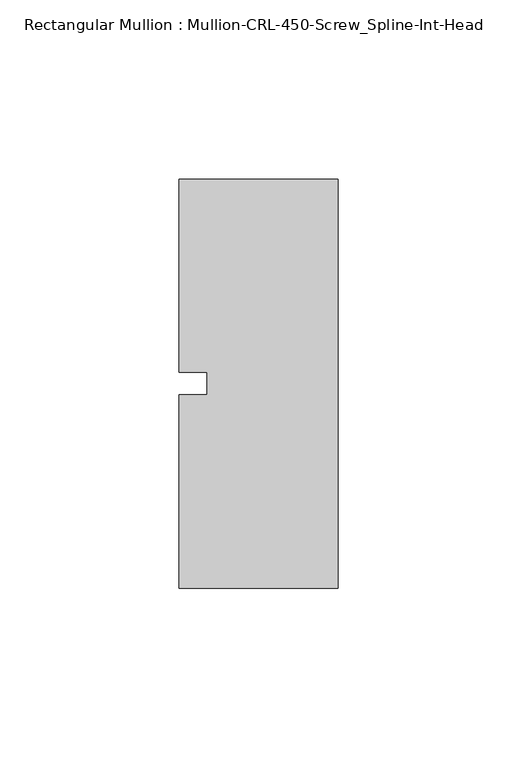
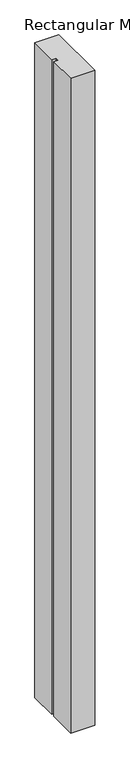
"""IFC4 building model written with IfcOpenShell, lengths in millimetres: member geometry, Rectangular Mullion : Mullion-CRL-450-Screw_Spline-Int-Head."""

from ifc_helpers import new_model, si_unit, frame, origin, place, context, project, spatial, polyline, outline, extrude, source, transform, mapped, element, save


def rectangular_mullion_mullion_crl_450_screw_spline_int_head_e51460b6(model_context):
    return source(origin(), model_context, "Body", "SweptSolid", [
        extrude(outline(polyline([(0.0, 57.15), (0.0, -57.15), (-44.45, -57.15), (-44.45, -3.175), (-36.5125, -3.175), (-36.5125, 3.175), (-44.45, 3.175), (-44.45, 57.15), (0.0, 57.15)])), frame((0.0, 0.0, -1278.4666667), z_axis=(0.0, 0.0, 1.0), x_axis=(1.0, 0.0, 0.0)), (0.0, 0.0, 1.0), 1278.4666667),
    ])


if __name__ == "__main__":
    model = new_model("IFC4")
    model_context = context("Model", 3, world=origin())
    ifc_project = project(units=[si_unit("LENGTHUNIT", "METRE", prefix="MILLI")], contexts=[model_context])
    site = spatial("IfcSite", under=ifc_project)
    building = spatial("IfcBuilding", under=site)
    placement = place(None, origin())
    rectangular_mullion_mullion_crl_450_screw_spline_int_head_shape = rectangular_mullion_mullion_crl_450_screw_spline_int_head_e51460b6(model_context)
    element("IfcMember", 1, ObjectType="Rectangular Mullion : Mullion-CRL-450-Screw_Spline-Int-Head", at=placement, inside=building, context=model_context, shape_type="MappedRepresentation", body=[
        mapped(rectangular_mullion_mullion_crl_450_screw_spline_int_head_shape, transform((0.0, 0.0, 0.0), x_axis=(1.0, 0.0, 0.0), y_axis=(0.0, 1.0, 0.0), z_axis=(0.0, 0.0, 1.0))),
    ])
    save(model, "model.ifc")
